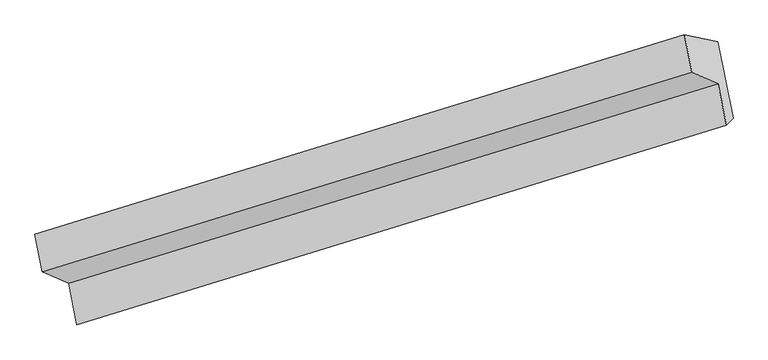
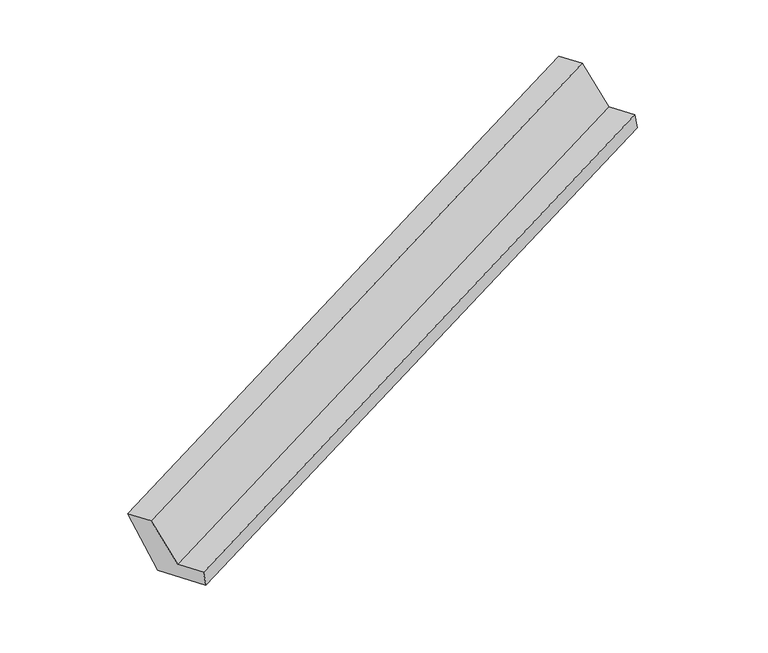
"""IFC4 building model written with IfcOpenShell, lengths in millimetres: proxy geometry."""

import ifcopenshell
import ifcopenshell.guid

model = None  # the IFC model being written
_history = None  # IfcOwnerHistory: only IFC2X3 demands one
_inside = {}  # id of a spatial element -> (the spatial element, [elements in it])
_under = {}  # id of a project, library or spatial element -> (it, [spatial elements below it])
_declared = {}  # id of a project -> (the project, [libraries it declares])
_typed = {}  # id of a type object -> (the type object, [elements of that type])
_made_of = {}  # id of a material, layer set ... -> (it, [elements and type objects made of it])


def new_model(schema):
    """Start an empty IFC model of exactly this schema.

    Asked for "IFC4X3", IfcOpenShell would pick the latest addendum, in which some entities
    have other attributes; the version numbers below select the first issue.
    IFC2X3 requires an IfcOwnerHistory on every rooted entity: one is made here for all.
    """
    global model, _history
    if schema == "IFC4X3":
        model = ifcopenshell.file(schema_version=(4, 3, 0, 0))
    else:
        model = ifcopenshell.file(schema=schema)
    _inside.clear()
    _under.clear()
    _declared.clear()
    _typed.clear()
    _made_of.clear()
    _history = None
    if model.schema == "IFC2X3":
        org = make("IfcOrganization", Name="unknown")
        user = make(
            "IfcPersonAndOrganization",
            ThePerson=make("IfcPerson", FamilyName="unknown"),
            TheOrganization=org,
        )
        app = make(
            "IfcApplication",
            ApplicationDeveloper=org,
            Version="unknown",
            ApplicationFullName="unknown",
            ApplicationIdentifier="unknown",
        )
        _history = make(
            "IfcOwnerHistory",
            OwningUser=user,
            OwningApplication=app,
            ChangeAction="ADDED",
            CreationDate=0,
        )
    return model


def make(cls, **values):
    """One entity of the class cls with the attributes given. An attribute that is None is left unset."""
    return model.create_entity(
        cls, **{name: value for name, value in values.items() if value is not None}
    )


def rooted(cls, **values):
    """An entity with a GlobalId (a new one), such as an element, a storey or a relation."""
    return make(cls, GlobalId=ifcopenshell.guid.new(), OwnerHistory=_history, **values)


def si_unit(unit_type, name, prefix=None):
    """IfcSIUnit, for example si_unit("LENGTHUNIT", "METRE", prefix="MILLI")."""
    return make("IfcSIUnit", UnitType=unit_type, Prefix=prefix, Name=name)


def assignment(units):
    """IfcUnitAssignment: the units of a project."""
    return None if units is None else make("IfcUnitAssignment", Units=units)


def point(xyz):
    """IfcCartesianPoint."""
    return None if xyz is None else make("IfcCartesianPoint", Coordinates=xyz)


def direction(xyz):
    """IfcDirection."""
    return None if xyz is None else make("IfcDirection", DirectionRatios=xyz)


def frame(location, z_axis=None, x_axis=None):
    """IfcAxis2Placement3D, a coordinate frame: its origin and axes. An axis left out is left unset."""
    return make(
        "IfcAxis2Placement3D",
        Location=point(location),
        Axis=direction(z_axis),
        RefDirection=direction(x_axis),
    )


def origin():
    """The frame at (0, 0, 0) with its axes left unset."""
    return frame((0.0, 0.0, 0.0))


def place(relative_to, where):
    """IfcLocalPlacement: puts the frame where relative to a parent placement (None: the world)."""
    return make(
        "IfcLocalPlacement", PlacementRelTo=relative_to, RelativePlacement=where
    )


def context(
    kind, dimensions, precision=None, world=None, true_north=None, identifier=None
):
    """IfcGeometricRepresentationContext, for example the 3D "Model" context."""
    return make(
        "IfcGeometricRepresentationContext",
        ContextIdentifier=identifier,
        ContextType=kind,
        CoordinateSpaceDimension=dimensions,
        Precision=precision,
        WorldCoordinateSystem=world,
        TrueNorth=true_north,
    )


def project(units=None, contexts=None):
    """IfcProject with its units and contexts."""
    return rooted(
        "IfcProject",
        Name="project",
        RepresentationContexts=contexts,
        UnitsInContext=assignment(units),
    )


def spatial(cls, under=None, at=None, **own):
    """A site, building, storey or space (cls), placed at a placement, below another one or the project."""
    s = rooted(cls, ObjectPlacement=at, **own)
    if under is not None:
        _under.setdefault(under.id(), (under, []))[1].append(s)
    return s


def faces_of(points, faces, orient=None, outer=None):
    """IfcFace entities. A face is a list of loops; a loop is a list of indices into points, from 0.

    orient and outer hold one flag for each loop. By default every Orientation is true, the
    first loop of a face is its IfcFaceOuterBound and the others are IfcFaceBound.
    """
    made = []
    for i, loops in enumerate(faces):
        bounds = []
        for j, loop in enumerate(loops):
            is_outer = j == 0 if outer is None else outer[i][j]
            bounds.append(
                make(
                    "IfcFaceOuterBound" if is_outer else "IfcFaceBound",
                    Bound=make("IfcPolyLoop", Polygon=[points[k] for k in loop]),
                    Orientation=True if orient is None else orient[i][j],
                )
            )
        made.append(make("IfcFace", Bounds=bounds))
    return made


def faceted_brep(points, faces, orient=None, outer=None, voids=None):
    """IfcFacetedBrep: a solid bounded by flat faces; with voids (closed shells), ...WithVoids."""
    shared = [point(p) for p in points]
    hull = make("IfcClosedShell", CfsFaces=faces_of(shared, faces, orient, outer))
    if voids is None:
        return make("IfcFacetedBrep", Outer=hull)
    return make(
        "IfcFacetedBrepWithVoids",
        Outer=hull,
        Voids=[
            make(cls, CfsFaces=faces_of(shared, fs, o, b)) for cls, fs, o, b in voids
        ],
    )


def shape(context_of_items, identifier, shape_type, items):
    """IfcShapeRepresentation: the items that make up one representation, for example the "Body"."""
    return make(
        "IfcShapeRepresentation",
        ContextOfItems=context_of_items,
        RepresentationIdentifier=identifier,
        RepresentationType=shape_type,
        Items=items,
    )


def source(mapping_origin, context_of_items, identifier, shape_type, items):
    """IfcRepresentationMap: a shape defined once, which mapped items show again and again."""
    return make(
        "IfcRepresentationMap",
        MappingOrigin=mapping_origin,
        MappedRepresentation=shape(context_of_items, identifier, shape_type, items),
    )


def transform(
    local_origin,
    x_axis=None,
    y_axis=None,
    z_axis=None,
    scale=None,
    scale2=None,
    scale3=None,
    uniform=True,
):
    """IfcCartesianTransformationOperator3D, or its non-uniform kind. x_axis, y_axis, z_axis: its Axis1, 2, 3."""
    if uniform:
        return make(
            "IfcCartesianTransformationOperator3D",
            Axis1=direction(x_axis),
            Axis2=direction(y_axis),
            LocalOrigin=point(local_origin),
            Scale=scale,
            Axis3=direction(z_axis),
        )
    return make(
        "IfcCartesianTransformationOperator3DnonUniform",
        Axis1=direction(x_axis),
        Axis2=direction(y_axis),
        LocalOrigin=point(local_origin),
        Scale=scale,
        Axis3=direction(z_axis),
        Scale2=scale2,
        Scale3=scale3,
    )


def mapped(mapping_source, mapping_target):
    """IfcMappedItem: shows the shape of a source again, moved by a transform."""
    return make(
        "IfcMappedItem", MappingSource=mapping_source, MappingTarget=mapping_target
    )


def made_of(thing, what):
    """Note that an element or type object is made of a material, layer set ...; save() writes the relation."""
    if what is not None:
        _made_of.setdefault(what.id(), (what, []))[1].append(thing)
    return thing


def element(
    cls,
    number,
    at=None,
    inside=None,
    cuts=None,
    type_object=None,
    material=None,
    context=None,
    identifier="Body",
    shape_type=None,
    held_by="IfcProductDefinitionShape",
    body=None,
    shapes=None,
    **own,
):
    """One element of the class cls, such as IfcWall. Its Tag is "e" and its number.

    at: its placement. inside: the storey or other place that contains it. cuts: it is an
    opening in that element (IfcRelVoidsElement). A single representation is given by context,
    identifier, shape_type and body (its items); several are given by shapes. held_by: the class
    of the entity that holds the representations. save() writes the other relations.
    """
    e = rooted(cls, Tag="e%d" % number, ObjectPlacement=at, **own)
    if body is not None:
        shapes = [shape(context, identifier, shape_type, body)]
    if shapes is not None:
        e.Representation = make(held_by, Representations=shapes)
    if inside is not None:
        _inside.setdefault(inside.id(), (inside, []))[1].append(e)
    if cuts is not None:
        rooted(
            "IfcRelVoidsElement", RelatingBuildingElement=cuts, RelatedOpeningElement=e
        )
    if type_object is not None:
        _typed.setdefault(type_object.id(), (type_object, []))[1].append(e)
    return made_of(e, material)


def aggregate(whole, parts):
    """IfcRelAggregates: a whole, such as a stair, and the parts it consists of."""
    return rooted("IfcRelAggregates", RelatingObject=whole, RelatedObjects=parts)


def save(model, path):
    """Write the relations noted so far, then the file.

    IfcRelAggregates (storeys below a building ...), IfcRelContainedInSpatialStructure (elements
    in a storey), IfcRelDefinesByType, IfcRelAssociatesMaterial and IfcRelDeclares: one each for
    every whole, place, type object, material and project.
    """
    for whole, parts in _under.values():
        aggregate(whole, parts)
    for where, things in _inside.values():
        rooted(
            "IfcRelContainedInSpatialStructure",
            RelatedElements=things,
            RelatingStructure=where,
        )
    for kind, things in _typed.values():
        rooted("IfcRelDefinesByType", RelatedObjects=things, RelatingType=kind)
    for what, things in _made_of.values():
        rooted("IfcRelAssociatesMaterial", RelatedObjects=things, RelatingMaterial=what)
    for by, libraries in _declared.values():
        rooted("IfcRelDeclares", RelatingContext=by, RelatedDefinitions=libraries)
    model.write(path)


def generic_models_5f5b9063(model_context):
    return source(origin(), model_context, "Body", "Brep", [
        faceted_brep([(-5838.8001084, -2866.8450844, 459.9518531), (-5986.9515145, -2113.6383705, 244.8768467), (383.6462509, -157.1615598, 2708.2893158), (531.797657, -910.3682737, 2923.3643223), (-6316.0213794, -2048.3326272, 1051.0608649), (54.576386, -91.8558165, 3514.473334), (-6244.205989, -2413.4444786, 1155.317017), (126.3917764, -456.9676679, 3618.7294862), (-5985.6798558, -2528.8337907, 573.1340067), (384.9179096, -572.3569799, 3036.5464758), (-5906.2500302, -2932.6576859, 688.44422), (464.3477352, -976.1808752, 3151.8566892)], [[[0, 1, 2, 3]], [[1, 4, 5, 2]], [[4, 6, 7, 5]], [[6, 8, 9, 7]], [[8, 10, 11, 9]], [[10, 0, 3, 11]], [[9, 11, 3, 2, 5, 7]], [[0, 10, 8, 6, 4, 1]]]),
    ])


if __name__ == "__main__":
    model = new_model("IFC4")
    model_context = context("Model", 3, world=origin())
    ifc_project = project(units=[si_unit("LENGTHUNIT", "METRE", prefix="MILLI")], contexts=[model_context])
    site = spatial("IfcSite", under=ifc_project)
    building = spatial("IfcBuilding", under=site)
    placement = place(None, origin())
    generic_models_shape = generic_models_5f5b9063(model_context)
    element("IfcBuildingElementProxy", 1, Name="Generic Models", at=placement, inside=building, context=model_context, shape_type="MappedRepresentation", body=[
        mapped(generic_models_shape, transform((0.0, 0.0, 0.0), x_axis=(1.0, 0.0, 0.0), y_axis=(0.0, 1.0, 0.0), z_axis=(0.0, 0.0, 1.0))),
    ])
    save(model, "model.ifc")
